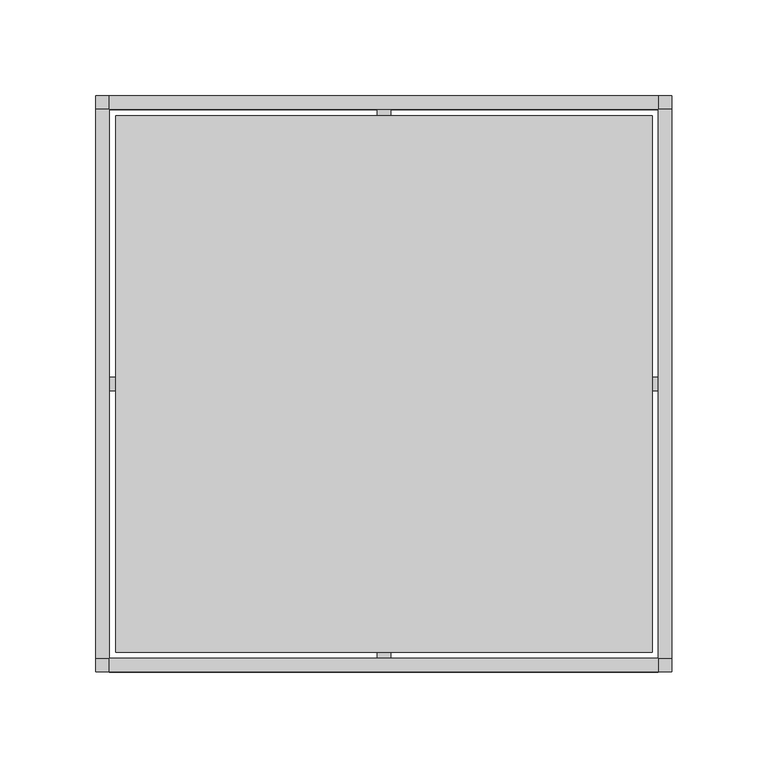
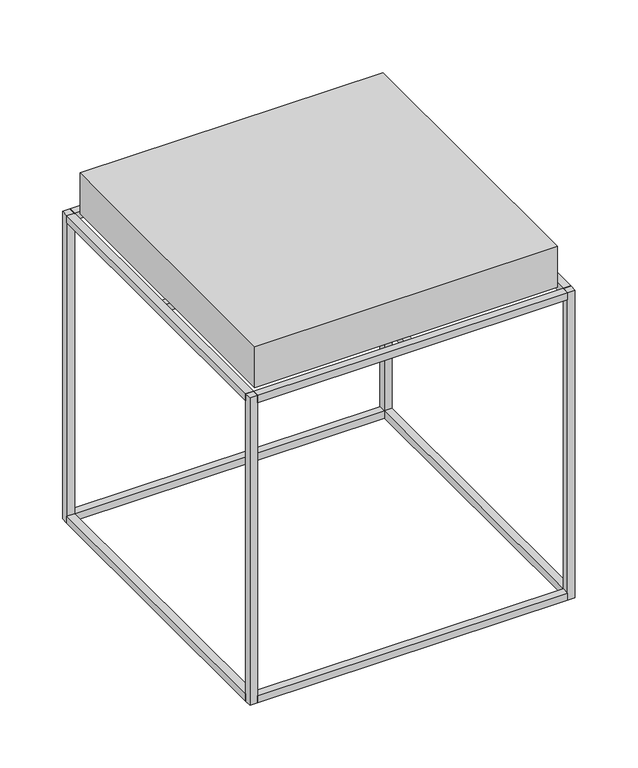
"""IFC4 building model written with IfcOpenShell, lengths in millimetres: furniture geometry."""

from ifc_helpers import new_model, si_unit, frame, origin, origin_with_axes, place, context, project, spatial, polyline, outline, extrude, source, transform, mapped, element, save


def furniture_e313b5a2(model_context):
    return source(origin(), model_context, "Body", "SweptSolid", [
        extrude(outline(polyline([(143.0553743, 150.0698234), (143.0553743, 143.0565705), (-143.0553743, 143.0565705), (-143.0553743, 150.0698234), (143.0553743, 150.0698234)])), frame((0.0, 0.0, 293.0444347), z_axis=(0.0, 0.0, 1.0), x_axis=(1.0, 0.0, 0.0)), (0.0, 0.0, 1.0), 6.9800245),
        extrude(outline(polyline([(143.0553743, -143.0565705), (143.0553743, -150.0698234), (-143.0553743, -150.0698234), (-143.0553743, -143.0565705), (143.0553743, -143.0565705)])), frame((0.0, 0.0, 293.0444347), z_axis=(0.0, 0.0, 1.0), x_axis=(1.0, 0.0, 0.0)), (0.0, 0.0, 1.0), 6.9800245),
        extrude(outline(polyline([(143.0553743, -143.0565705), (143.0553743, -150.0698234), (-143.0553743, -150.0698234), (-143.0553743, -143.0565705), (143.0553743, -143.0565705)])), origin_with_axes(), (0.0, 0.0, 1.0), 6.9800245),
        extrude(outline(polyline([(143.0553743, 150.0698234), (143.0553743, 143.0565705), (-143.0553743, 143.0565705), (-143.0553743, 150.0698234), (143.0553743, 150.0698234)])), origin_with_axes(), (0.0, 0.0, 1.0), 6.9800245),
        extrude(outline(polyline([(-143.0553743, -143.0565705), (-150.0698234, -143.0565705), (-150.0698234, 143.0565705), (-143.0553743, 143.0565705), (-143.0553743, -143.0565705)])), frame((0.0, 0.0, 293.0444347), z_axis=(0.0, 0.0, 1.0), x_axis=(1.0, 0.0, 0.0)), (0.0, 0.0, 1.0), 6.9800245),
        extrude(outline(polyline([(150.0698234, -143.0565705), (143.0553743, -143.0565705), (143.0553743, 143.0565705), (150.0698234, 143.0565705), (150.0698234, -143.0565705)])), frame((0.0, 0.0, 293.0444347), z_axis=(0.0, 0.0, 1.0), x_axis=(1.0, 0.0, 0.0)), (0.0, 0.0, 1.0), 6.9800245),
        extrude(outline(polyline([(150.0698234, -143.0565705), (143.0553743, -143.0565705), (143.0553743, 143.0565705), (150.0698234, 143.0565705), (150.0698234, -143.0565705)])), origin_with_axes(), (0.0, 0.0, 1.0), 6.9800245),
        extrude(outline(polyline([(-143.0553743, -143.0565705), (-150.0698234, -143.0565705), (-150.0698234, 143.0565705), (-143.0553743, 143.0565705), (-143.0553743, -143.0565705)])), origin_with_axes(), (0.0, 0.0, 1.0), 6.9800245),
        extrude(outline(polyline([(-143.0553743, 150.0698234), (-143.0553743, 143.0565705), (-150.0698234, 143.0565705), (-150.0698234, 150.0698234), (-143.0553743, 150.0698234)])), origin_with_axes(), (0.0, 0.0, 1.0), 300.0244592),
        extrude(outline(polyline([(143.0553743, 150.0698234), (150.0698234, 150.0698234), (150.0698234, 143.0565705), (143.0553743, 143.0565705), (143.0553743, 150.0698234)])), origin_with_axes(), (0.0, 0.0, 1.0), 300.0244592),
        extrude(outline(polyline([(-143.0553743, -150.0698234), (-150.0698234, -150.0698234), (-150.0698234, -143.0565705), (-143.0553743, -143.0565705), (-143.0553743, -150.0698234)])), origin_with_axes(), (0.0, 0.0, 1.0), 300.0244592),
        extrude(outline(polyline([(143.0553743, -150.0698234), (143.0553743, -143.0565705), (150.0698234, -143.0565705), (150.0698234, -150.0698234), (143.0553743, -150.0698234)])), origin_with_axes(), (0.0, 0.0, 1.0), 300.0244592),
        extrude(outline(polyline([(-3.490002, 3.490002), (-3.490002, 143.0565705), (3.490002, 143.0565705), (3.490002, 3.4900023), (143.0553743, 3.4900022), (143.0553743, -3.4900019), (3.490002, -3.4900021), (3.490002, -143.0565705), (-3.490002, -143.0565705), (-3.490002, -3.4900023), (-143.0553743, -3.4900022), (-143.0553743, 3.4900019), (-3.490002, 3.490002)])), frame((0.0, 0.0, 293.0444347), z_axis=(0.0, 0.0, 1.0), x_axis=(1.0, 0.0, 0.0)), (0.0, 0.0, 1.0), 6.9800245),
        extrude(outline(polyline([(139.813727, 139.813727), (139.813727, -139.813727), (-139.813727, -139.813727), (-139.813727, 139.813727), (139.813727, 139.813727)])), frame((0.0, 0.0, 300.2415936), z_axis=(0.0, 0.0, 1.0), x_axis=(1.0, 0.0, 0.0)), (0.0, 0.0, 1.0), 39.999993),
    ])


if __name__ == "__main__":
    model = new_model("IFC4")
    model_context = context("Model", 3, world=origin())
    ifc_project = project(units=[si_unit("LENGTHUNIT", "METRE", prefix="MILLI")], contexts=[model_context])
    site = spatial("IfcSite", under=ifc_project)
    building = spatial("IfcBuilding", under=site)
    placement = place(None, origin())
    furniture_shape = furniture_e313b5a2(model_context)
    element("IfcFurniture", 1, at=placement, inside=building, context=model_context, shape_type="MappedRepresentation", body=[
        mapped(furniture_shape, transform((0.0, 0.0, 0.0), x_axis=(1.0, 0.0, 0.0), y_axis=(0.0, 1.0, 0.0), z_axis=(0.0, 0.0, 1.0))),
    ])
    save(model, "model.ifc")
